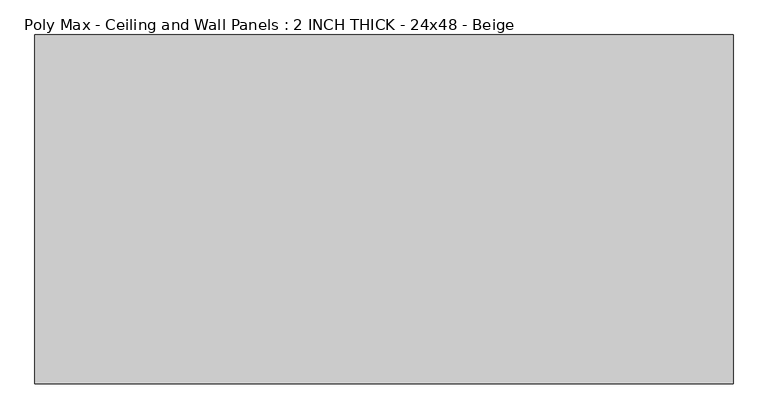
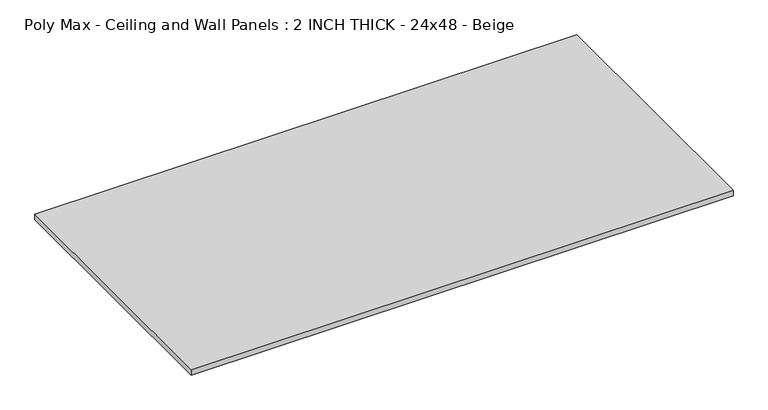
"""IFC4 building model written with IfcOpenShell, lengths in millimetres: proxy geometry, Poly Max - Ceiling and Wall Panels : 2 INCH THICK - 24x48 - Beige."""

from ifc_helpers import new_model, si_unit, origin, origin_with_axes, place, context, project, spatial, polyline, outline, extrude, source, transform, mapped, element, save


def poly_max_ceiling_and_wall_panels_2_inch_thick_24x48_beige_80974cae(model_context):
    return source(origin(), model_context, "Body", "SweptSolid", [
        extrude(outline(polyline([(-609.6, 304.8), (609.6, 304.8), (609.6, -304.8), (-609.6, -304.8), (-609.6, 304.8)])), origin_with_axes(), (0.0, 0.0, 1.0), 12.7),
    ])


if __name__ == "__main__":
    model = new_model("IFC4")
    model_context = context("Model", 3, world=origin())
    ifc_project = project(units=[si_unit("LENGTHUNIT", "METRE", prefix="MILLI")], contexts=[model_context])
    site = spatial("IfcSite", under=ifc_project)
    building = spatial("IfcBuilding", under=site)
    placement = place(None, origin())
    poly_max_ceiling_and_wall_panels_2_inch_thick_24x48_beige_shape = poly_max_ceiling_and_wall_panels_2_inch_thick_24x48_beige_80974cae(model_context)
    element("IfcBuildingElementProxy", 1, Name="Poly Max - Ceiling and Wall Panels : 2 INCH THICK - 24x48 - Beige", ObjectType="Poly Max - Ceiling and Wall Panels : 2 INCH THICK - 24x48 - Beige", at=placement, inside=building, context=model_context, shape_type="MappedRepresentation", body=[
        mapped(poly_max_ceiling_and_wall_panels_2_inch_thick_24x48_beige_shape, transform((0.0, 0.0, 0.0), x_axis=(1.0, 0.0, 0.0), y_axis=(0.0, 1.0, 0.0), z_axis=(0.0, 0.0, 1.0))),
    ])
    save(model, "model.ifc")
